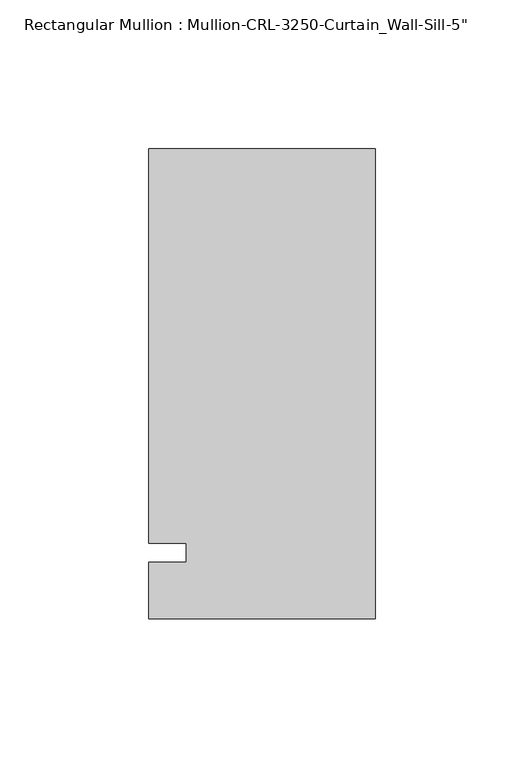
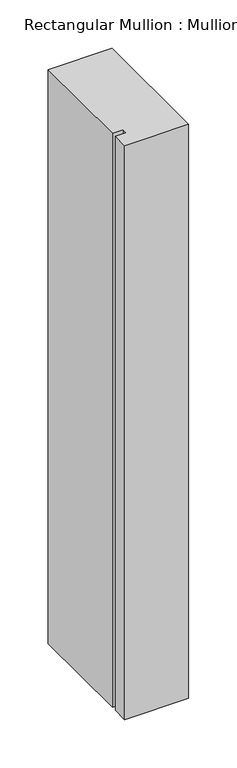
"""IFC4 building model written with IfcOpenShell, lengths in millimetres: member geometry."""

from ifc_helpers import new_model, si_unit, frame, origin, place, context, project, spatial, polyline, outline, extrude, source, transform, mapped, element, save


def member_c5015970(model_context):
    return source(origin(), model_context, "Body", "SweptSolid", [
        extrude(outline(polyline([(-76.199997, -3.175), (-63.499997, -3.175), (-63.499997, 3.175), (-76.199997, 3.175), (-76.199997, 136.0175661), (0.0, 136.0175661), (0.0, -22.2254168), (-76.199997, -22.2254168), (-76.199997, -3.175)])), frame((0.0, 0.0, -723.9000045), z_axis=(0.0, 0.0, 1.0), x_axis=(1.0, 0.0, 0.0)), (0.0, 0.0, 1.0), 723.9000045),
    ])


if __name__ == "__main__":
    model = new_model("IFC4")
    model_context = context("Model", 3, world=origin())
    ifc_project = project(units=[si_unit("LENGTHUNIT", "METRE", prefix="MILLI")], contexts=[model_context])
    site = spatial("IfcSite", under=ifc_project)
    building = spatial("IfcBuilding", under=site)
    placement = place(None, origin())
    member_shape = member_c5015970(model_context)
    element("IfcMember", 1, ObjectType="Rectangular Mullion : Mullion-CRL-3250-Curtain_Wall-Sill-5\"", at=placement, inside=building, context=model_context, shape_type="MappedRepresentation", body=[
        mapped(member_shape, transform((0.0, 0.0, 0.0), x_axis=(1.0, 0.0, 0.0), y_axis=(0.0, 1.0, 0.0), z_axis=(0.0, 0.0, 1.0))),
    ])
    save(model, "model.ifc")
